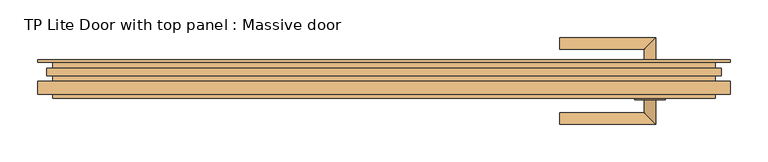
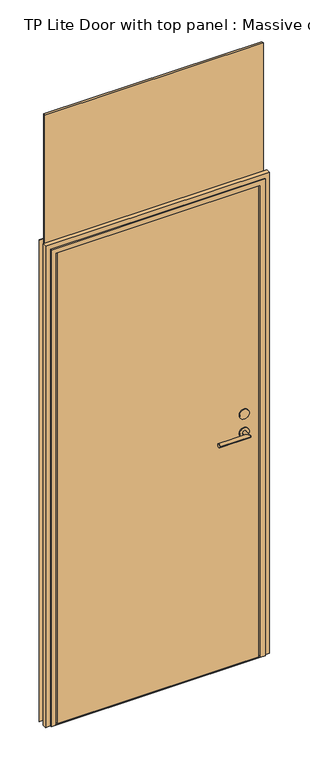
"""IFC4 building model written with IfcOpenShell, lengths in millimetres: door geometry, TP Lite Door with top panel : Massive door."""

import ifcopenshell
import ifcopenshell.guid

model = None  # the IFC model being written
_history = None  # IfcOwnerHistory: only IFC2X3 demands one
_inside = {}  # id of a spatial element -> (the spatial element, [elements in it])
_under = {}  # id of a project, library or spatial element -> (it, [spatial elements below it])
_declared = {}  # id of a project -> (the project, [libraries it declares])
_typed = {}  # id of a type object -> (the type object, [elements of that type])
_made_of = {}  # id of a material, layer set ... -> (it, [elements and type objects made of it])


def new_model(schema):
    """Start an empty IFC model of exactly this schema.

    Asked for "IFC4X3", IfcOpenShell would pick the latest addendum, in which some entities
    have other attributes; the version numbers below select the first issue.
    IFC2X3 requires an IfcOwnerHistory on every rooted entity: one is made here for all.
    """
    global model, _history
    if schema == "IFC4X3":
        model = ifcopenshell.file(schema_version=(4, 3, 0, 0))
    else:
        model = ifcopenshell.file(schema=schema)
    _inside.clear()
    _under.clear()
    _declared.clear()
    _typed.clear()
    _made_of.clear()
    _history = None
    if model.schema == "IFC2X3":
        org = make("IfcOrganization", Name="unknown")
        user = make(
            "IfcPersonAndOrganization",
            ThePerson=make("IfcPerson", FamilyName="unknown"),
            TheOrganization=org,
        )
        app = make(
            "IfcApplication",
            ApplicationDeveloper=org,
            Version="unknown",
            ApplicationFullName="unknown",
            ApplicationIdentifier="unknown",
        )
        _history = make(
            "IfcOwnerHistory",
            OwningUser=user,
            OwningApplication=app,
            ChangeAction="ADDED",
            CreationDate=0,
        )
    return model


def make(cls, **values):
    """One entity of the class cls with the attributes given. An attribute that is None is left unset."""
    return model.create_entity(
        cls, **{name: value for name, value in values.items() if value is not None}
    )


def rooted(cls, **values):
    """An entity with a GlobalId (a new one), such as an element, a storey or a relation."""
    return make(cls, GlobalId=ifcopenshell.guid.new(), OwnerHistory=_history, **values)


def si_unit(unit_type, name, prefix=None):
    """IfcSIUnit, for example si_unit("LENGTHUNIT", "METRE", prefix="MILLI")."""
    return make("IfcSIUnit", UnitType=unit_type, Prefix=prefix, Name=name)


def assignment(units):
    """IfcUnitAssignment: the units of a project."""
    return None if units is None else make("IfcUnitAssignment", Units=units)


def point(xyz):
    """IfcCartesianPoint."""
    return None if xyz is None else make("IfcCartesianPoint", Coordinates=xyz)


def direction(xyz):
    """IfcDirection."""
    return None if xyz is None else make("IfcDirection", DirectionRatios=xyz)


def frame(location, z_axis=None, x_axis=None):
    """IfcAxis2Placement3D, a coordinate frame: its origin and axes. An axis left out is left unset."""
    return make(
        "IfcAxis2Placement3D",
        Location=point(location),
        Axis=direction(z_axis),
        RefDirection=direction(x_axis),
    )


def frame_2d(location, x_axis=None):
    """IfcAxis2Placement2D, a coordinate frame in the plane: its origin and x axis."""
    return make(
        "IfcAxis2Placement2D", Location=point(location), RefDirection=direction(x_axis)
    )


def origin():
    """The frame at (0, 0, 0) with its axes left unset."""
    return frame((0.0, 0.0, 0.0))


def origin_with_axes():
    """The frame at (0, 0, 0) with the z axis (0, 0, 1) and the x axis (1, 0, 0) written out."""
    return frame((0.0, 0.0, 0.0), z_axis=(0.0, 0.0, 1.0), x_axis=(1.0, 0.0, 0.0))


def place(relative_to, where):
    """IfcLocalPlacement: puts the frame where relative to a parent placement (None: the world)."""
    return make(
        "IfcLocalPlacement", PlacementRelTo=relative_to, RelativePlacement=where
    )


def context(
    kind, dimensions, precision=None, world=None, true_north=None, identifier=None
):
    """IfcGeometricRepresentationContext, for example the 3D "Model" context."""
    return make(
        "IfcGeometricRepresentationContext",
        ContextIdentifier=identifier,
        ContextType=kind,
        CoordinateSpaceDimension=dimensions,
        Precision=precision,
        WorldCoordinateSystem=world,
        TrueNorth=true_north,
    )


def project(units=None, contexts=None):
    """IfcProject with its units and contexts."""
    return rooted(
        "IfcProject",
        Name="project",
        RepresentationContexts=contexts,
        UnitsInContext=assignment(units),
    )


def spatial(cls, under=None, at=None, **own):
    """A site, building, storey or space (cls), placed at a placement, below another one or the project."""
    s = rooted(cls, ObjectPlacement=at, **own)
    if under is not None:
        _under.setdefault(under.id(), (under, []))[1].append(s)
    return s


def polyline(points):
    """IfcPolyline through the points."""
    return make("IfcPolyline", Points=[point(p) for p in points])


def circle_curve(where, radius):
    """IfcCircle in the frame where."""
    return make("IfcCircle", Position=where, Radius=radius)


def ellipse_curve(where, semi_axis1, semi_axis2):
    """IfcEllipse in the frame where."""
    return make(
        "IfcEllipse", Position=where, SemiAxis1=semi_axis1, SemiAxis2=semi_axis2
    )


def trimmed(basis, trim1, trim2, sense, master):
    """IfcTrimmedCurve: the piece of a basis curve between two trims."""
    return make(
        "IfcTrimmedCurve",
        BasisCurve=basis,
        Trim1=trim1,
        Trim2=trim2,
        SenseAgreement=sense,
        MasterRepresentation=master,
    )


def segment(curve, same_sense, transition):
    """IfcCompositeCurveSegment."""
    return make(
        "IfcCompositeCurveSegment",
        Transition=transition,
        SameSense=same_sense,
        ParentCurve=curve,
    )


def composite_curve(segments, self_intersect=None):
    """IfcCompositeCurve: segments joined end to end."""
    return make("IfcCompositeCurve", Segments=segments, SelfIntersect=self_intersect)


def outline(outer, holes=None, kind="AREA"):
    """IfcArbitraryClosedProfileDef: a profile drawn as a closed curve; with holes, ...WithVoids."""
    if holes is None:
        return make("IfcArbitraryClosedProfileDef", ProfileType=kind, OuterCurve=outer)
    return make(
        "IfcArbitraryProfileDefWithVoids",
        ProfileType=kind,
        OuterCurve=outer,
        InnerCurves=holes,
    )


def extrude(swept, where, along, depth):
    """IfcExtrudedAreaSolid: the profile swept, set in the frame where, extruded along a direction by depth."""
    return make(
        "IfcExtrudedAreaSolid",
        SweptArea=swept,
        Position=where,
        ExtrudedDirection=direction(along),
        Depth=depth,
    )


def faces_of(points, faces, orient=None, outer=None):
    """IfcFace entities. A face is a list of loops; a loop is a list of indices into points, from 0.

    orient and outer hold one flag for each loop. By default every Orientation is true, the
    first loop of a face is its IfcFaceOuterBound and the others are IfcFaceBound.
    """
    made = []
    for i, loops in enumerate(faces):
        bounds = []
        for j, loop in enumerate(loops):
            is_outer = j == 0 if outer is None else outer[i][j]
            bounds.append(
                make(
                    "IfcFaceOuterBound" if is_outer else "IfcFaceBound",
                    Bound=make("IfcPolyLoop", Polygon=[points[k] for k in loop]),
                    Orientation=True if orient is None else orient[i][j],
                )
            )
        made.append(make("IfcFace", Bounds=bounds))
    return made


def faceted_brep(points, faces, orient=None, outer=None, voids=None):
    """IfcFacetedBrep: a solid bounded by flat faces; with voids (closed shells), ...WithVoids."""
    shared = [point(p) for p in points]
    hull = make("IfcClosedShell", CfsFaces=faces_of(shared, faces, orient, outer))
    if voids is None:
        return make("IfcFacetedBrep", Outer=hull)
    return make(
        "IfcFacetedBrepWithVoids",
        Outer=hull,
        Voids=[
            make(cls, CfsFaces=faces_of(shared, fs, o, b)) for cls, fs, o, b in voids
        ],
    )


def shape(context_of_items, identifier, shape_type, items):
    """IfcShapeRepresentation: the items that make up one representation, for example the "Body"."""
    return make(
        "IfcShapeRepresentation",
        ContextOfItems=context_of_items,
        RepresentationIdentifier=identifier,
        RepresentationType=shape_type,
        Items=items,
    )


def source(mapping_origin, context_of_items, identifier, shape_type, items):
    """IfcRepresentationMap: a shape defined once, which mapped items show again and again."""
    return make(
        "IfcRepresentationMap",
        MappingOrigin=mapping_origin,
        MappedRepresentation=shape(context_of_items, identifier, shape_type, items),
    )


def transform(
    local_origin,
    x_axis=None,
    y_axis=None,
    z_axis=None,
    scale=None,
    scale2=None,
    scale3=None,
    uniform=True,
):
    """IfcCartesianTransformationOperator3D, or its non-uniform kind. x_axis, y_axis, z_axis: its Axis1, 2, 3."""
    if uniform:
        return make(
            "IfcCartesianTransformationOperator3D",
            Axis1=direction(x_axis),
            Axis2=direction(y_axis),
            LocalOrigin=point(local_origin),
            Scale=scale,
            Axis3=direction(z_axis),
        )
    return make(
        "IfcCartesianTransformationOperator3DnonUniform",
        Axis1=direction(x_axis),
        Axis2=direction(y_axis),
        LocalOrigin=point(local_origin),
        Scale=scale,
        Axis3=direction(z_axis),
        Scale2=scale2,
        Scale3=scale3,
    )


def mapped(mapping_source, mapping_target):
    """IfcMappedItem: shows the shape of a source again, moved by a transform."""
    return make(
        "IfcMappedItem", MappingSource=mapping_source, MappingTarget=mapping_target
    )


def made_of(thing, what):
    """Note that an element or type object is made of a material, layer set ...; save() writes the relation."""
    if what is not None:
        _made_of.setdefault(what.id(), (what, []))[1].append(thing)
    return thing


def element(
    cls,
    number,
    at=None,
    inside=None,
    cuts=None,
    type_object=None,
    material=None,
    context=None,
    identifier="Body",
    shape_type=None,
    held_by="IfcProductDefinitionShape",
    body=None,
    shapes=None,
    **own,
):
    """One element of the class cls, such as IfcWall. Its Tag is "e" and its number.

    at: its placement. inside: the storey or other place that contains it. cuts: it is an
    opening in that element (IfcRelVoidsElement). A single representation is given by context,
    identifier, shape_type and body (its items); several are given by shapes. held_by: the class
    of the entity that holds the representations. save() writes the other relations.
    """
    e = rooted(cls, Tag="e%d" % number, ObjectPlacement=at, **own)
    if body is not None:
        shapes = [shape(context, identifier, shape_type, body)]
    if shapes is not None:
        e.Representation = make(held_by, Representations=shapes)
    if inside is not None:
        _inside.setdefault(inside.id(), (inside, []))[1].append(e)
    if cuts is not None:
        rooted(
            "IfcRelVoidsElement", RelatingBuildingElement=cuts, RelatedOpeningElement=e
        )
    if type_object is not None:
        _typed.setdefault(type_object.id(), (type_object, []))[1].append(e)
    return made_of(e, material)


def aggregate(whole, parts):
    """IfcRelAggregates: a whole, such as a stair, and the parts it consists of."""
    return rooted("IfcRelAggregates", RelatingObject=whole, RelatedObjects=parts)


def save(model, path):
    """Write the relations noted so far, then the file.

    IfcRelAggregates (storeys below a building ...), IfcRelContainedInSpatialStructure (elements
    in a storey), IfcRelDefinesByType, IfcRelAssociatesMaterial and IfcRelDeclares: one each for
    every whole, place, type object, material and project.
    """
    for whole, parts in _under.values():
        aggregate(whole, parts)
    for where, things in _inside.values():
        rooted(
            "IfcRelContainedInSpatialStructure",
            RelatedElements=things,
            RelatingStructure=where,
        )
    for kind, things in _typed.values():
        rooted("IfcRelDefinesByType", RelatedObjects=things, RelatingType=kind)
    for what, things in _made_of.values():
        rooted("IfcRelAssociatesMaterial", RelatedObjects=things, RelatingMaterial=what)
    for by, libraries in _declared.values():
        rooted("IfcRelDeclares", RelatingContext=by, RelatedDefinitions=libraries)
    model.write(path)


def plane_surface(at):
    """IfcPlane: the flat surface through the origin of the frame at, square to its z axis."""
    return make("IfcPlane", Position=at)


def cylinder_surface(at, radius):
    """IfcCylindricalSurface: all points at the distance radius from the z axis of the frame at."""
    return make("IfcCylindricalSurface", Position=at, Radius=radius)


def advanced_brep(points, edges, surfaces, faces):
    """IfcAdvancedBrep: a solid bounded by faces that lie on surfaces and meet in shared edges.

    An edge is (start, end): straight between two places in points (the first is 0);
    or (start, end, curve); or (start, end, curve, False) where it runs against its curve.
    A face is (place in surfaces, loops), or (place, loops, False) where it looks against
    its surface's normal. A loop lists edges by number (the first is 1), with a minus sign
    where the edge is run from its end to its start. The first loop is the outer one.
    """
    corners = [point(p) for p in points]
    vertices = [make("IfcVertexPoint", VertexGeometry=c) for c in corners]
    made = []
    for start, end, *more in edges:
        made.append(
            make(
                "IfcEdgeCurve",
                EdgeStart=vertices[start],
                EdgeEnd=vertices[end],
                EdgeGeometry=more[0] if more else make("IfcPolyline", Points=[corners[start], corners[end]]),
                SameSense=more[1] if len(more) > 1 else True,
            )
        )
    hull = []
    for where, loops, *sense in faces:
        bounds = []
        for j, loop in enumerate(loops):
            ring = [make("IfcOrientedEdge", EdgeElement=made[abs(k) - 1], Orientation=k > 0) for k in loop]
            bounds.append(
                make(
                    "IfcFaceOuterBound" if j == 0 else "IfcFaceBound",
                    Bound=make("IfcEdgeLoop", EdgeList=ring),
                    Orientation=True,
                )
            )
        hull.append(make("IfcAdvancedFace", Bounds=bounds, FaceSurface=surfaces[where], SameSense=sense[0] if sense else True))
    return make("IfcAdvancedBrep", Outer=make("IfcClosedShell", CfsFaces=hull))


def tp_lite_door_with_top_panel_massive_door_3b3503ef(model_context):
    return source(origin(), model_context, "Body", "SolidModel", [
        extrude(outline(composite_curve([segment(trimmed(circle_curve(frame_2d((1080.0, 354.0)), 20.0), [point((1080.0, 374.0))], [point((1080.0, 334.0))], False, "CARTESIAN"), True, "CONTINUOUS"), segment(trimmed(circle_curve(frame_2d((1080.0, 354.0)), 20.0), [point((1080.0, 334.0))], [point((1080.0, 374.0))], False, "CARTESIAN"), True, "CONTINUOUS")], self_intersect=False)), frame((0.0, 8.0, 0.0), z_axis=(0.0, 1.0, 0.0), x_axis=(0.0, 0.0, 1.0)), (0.0, 0.0, 1.0), 5.0),
        extrude(outline(composite_curve([segment(trimmed(circle_curve(frame_2d((1080.0, 354.0)), 20.0), [point((1080.0, 374.0))], [point((1080.0, 334.0))], False, "CARTESIAN"), True, "CONTINUOUS"), segment(trimmed(circle_curve(frame_2d((1080.0, 354.0)), 20.0), [point((1080.0, 334.0))], [point((1080.0, 374.0))], False, "CARTESIAN"), True, "CONTINUOUS")], self_intersect=False)), frame((0.0, -37.0, 0.0), z_axis=(0.0, 1.0, 0.0), x_axis=(0.0, 0.0, 1.0)), (0.0, 0.0, 1.0), 5.0),
        extrude(outline(composite_curve([segment(trimmed(circle_curve(frame_2d((1000.0, 354.0)), 20.0), [point((1000.0, 374.0))], [point((1000.0, 334.0))], False, "CARTESIAN"), True, "CONTINUOUS"), segment(trimmed(circle_curve(frame_2d((1000.0, 354.0)), 20.0), [point((1000.0, 334.0))], [point((1000.0, 374.0))], False, "CARTESIAN"), True, "CONTINUOUS")], self_intersect=False), holes=[composite_curve([segment(trimmed(circle_curve(frame_2d((1000.0, 354.0)), 7.5), [point((1000.0, 361.5))], [point((1000.0, 346.5))], True, "CARTESIAN"), True, "CONTINUOUS"), segment(trimmed(circle_curve(frame_2d((1000.0, 354.0)), 7.5), [point((1000.0, 346.5))], [point((1000.0, 361.5))], True, "CARTESIAN"), True, "CONTINUOUS")], self_intersect=False)]), frame((0.0, -37.0, 0.0), z_axis=(0.0, 1.0, 0.0), x_axis=(0.0, 0.0, 1.0)), (0.0, 0.0, 1.0), 5.0),
        extrude(outline(composite_curve([segment(trimmed(circle_curve(frame_2d((1000.0, 354.0)), 20.0), [point((1000.0, 374.0))], [point((1000.0, 334.0))], False, "CARTESIAN"), True, "CONTINUOUS"), segment(trimmed(circle_curve(frame_2d((1000.0, 354.0)), 20.0), [point((1000.0, 334.0))], [point((1000.0, 374.0))], False, "CARTESIAN"), True, "CONTINUOUS")], self_intersect=False), holes=[composite_curve([segment(trimmed(circle_curve(frame_2d((1000.0, 354.0)), 7.5), [point((1000.0, 361.5))], [point((1000.0, 346.5))], True, "CARTESIAN"), True, "CONTINUOUS"), segment(trimmed(circle_curve(frame_2d((1000.0, 354.0)), 7.5), [point((1000.0, 346.5))], [point((1000.0, 361.5))], True, "CARTESIAN"), True, "CONTINUOUS")], self_intersect=False)]), frame((0.0, 8.0, 0.0), z_axis=(0.0, 1.0, 0.0), x_axis=(0.0, 0.0, 1.0)), (0.0, 0.0, 1.0), 5.0),
        advanced_brep(
        [(361.5, 8.0, 1000.0), (346.5, 8.0, 1000.0), (361.5, 45.5, 1000.0), (346.5, 30.5, 1000.0), (234.0, 45.5, 1000.0), (234.0, 30.5, 1000.0)],
        [
            (0, 1, circle_curve(frame((354.0, 8.0, 1000.0), z_axis=(0.0, -1.0, 0.0), x_axis=(-1.0, 0.0, 0.0)), 7.5)),
            (1, 0, circle_curve(frame((354.0, 8.0, 1000.0), z_axis=(0.0, -1.0, 0.0), x_axis=(-1.0, 0.0, 0.0)), 7.5)),
            (0, 2),
            (2, 3, ellipse_curve(frame((354.0, 38.0, 1000.0), z_axis=(0.7071067811865475, -0.7071067811865475, 0.0), x_axis=(-0.7071067811865474, -0.7071067811865476, 0.0)), 10.6066017, 7.5)),
            (3, 1),
            (3, 2, ellipse_curve(frame((354.0, 38.0, 1000.0), z_axis=(0.7071067811865475, -0.7071067811865475, 0.0), x_axis=(-0.7071067811865474, -0.7071067811865476, 0.0)), 10.6066017, 7.5)),
            (4, 5, circle_curve(frame((234.0, 38.0, 1000.0), z_axis=(-1.0, 0.0, 0.0), x_axis=(0.0, -1.0, 0.0)), 7.5)),
            (5, 4, circle_curve(frame((234.0, 38.0, 1000.0), z_axis=(-1.0, 0.0, 0.0), x_axis=(0.0, -1.0, 0.0)), 7.5)),
            (2, 4),
            (5, 3),
        ],
        [
            plane_surface(frame((354.0, 8.0, 1000.0), z_axis=(0.0, -1.0, 0.0), x_axis=(0.0, 0.0, 1.0))),
            cylinder_surface(frame((354.0, 8.0, 1000.0), z_axis=(0.0, -1.0, 0.0), x_axis=(-1.0, 0.0, 0.0)), 7.5),
            plane_surface(frame((234.0, 38.0, 1000.0), z_axis=(-1.0, 0.0, 0.0), x_axis=(0.0, 0.0, 1.0))),
            cylinder_surface(frame((354.0, 38.0, 1000.0), z_axis=(1.0, 0.0, 0.0), x_axis=(0.0, -1.0, 0.0)), 7.5),
        ],
        [
            (0, [[1, 2]]),
            (1, [[-1, 3, 4, 5]]),
            (1, [[-2, -5, 6, -3]]),
            (2, [[7, 8]]),
            (3, [[-4, 9, -8, 10]]),
            (3, [[-6, -10, -7, -9]]),
        ],
    ),
        advanced_brep(
        [(346.5, -32.0, 1000.0), (361.5, -32.0, 1000.0), (346.5, -54.5, 1000.0), (361.5, -69.5, 1000.0), (234.0, -54.5, 1000.0), (234.0, -69.5, 1000.0)],
        [
            (0, 1, circle_curve(frame((354.0, -32.0, 1000.0), z_axis=(0.0, 1.0, 0.0), x_axis=(1.0, 0.0, 0.0)), 7.5)),
            (1, 0, circle_curve(frame((354.0, -32.0, 1000.0), z_axis=(0.0, 1.0, 0.0), x_axis=(1.0, 0.0, 0.0)), 7.5)),
            (0, 2),
            (2, 3, ellipse_curve(frame((354.0, -62.0, 1000.0), z_axis=(0.7071067811865475, 0.7071067811865475, 0.0), x_axis=(-0.7071067811865474, 0.7071067811865476, 0.0)), 10.6066017, 7.5)),
            (3, 1),
            (3, 2, ellipse_curve(frame((354.0, -62.0, 1000.0), z_axis=(0.7071067811865475, 0.7071067811865475, 0.0), x_axis=(-0.7071067811865474, 0.7071067811865476, 0.0)), 10.6066017, 7.5)),
            (4, 5, circle_curve(frame((234.0, -62.0, 1000.0), z_axis=(-1.0, 0.0, 0.0), x_axis=(0.0, -1.0, 0.0)), 7.5)),
            (5, 4, circle_curve(frame((234.0, -62.0, 1000.0), z_axis=(-1.0, 0.0, 0.0), x_axis=(0.0, -1.0, 0.0)), 7.5)),
            (2, 4),
            (5, 3),
        ],
        [
            plane_surface(frame((354.0, -32.0, 1000.0), z_axis=(0.0, 1.0, 0.0), x_axis=(0.0, 0.0, 1.0))),
            cylinder_surface(frame((354.0, -32.0, 1000.0), z_axis=(0.0, 1.0, 0.0), x_axis=(1.0, 0.0, 0.0)), 7.5),
            plane_surface(frame((234.0, -62.0, 1000.0), z_axis=(-1.0, 0.0, 0.0), x_axis=(0.0, 0.0, 1.0))),
            cylinder_surface(frame((354.0, -62.0, 1000.0), z_axis=(1.0, 0.0, 0.0), x_axis=(0.0, -1.0, 0.0)), 7.5),
        ],
        [
            (0, [[1, 2]]),
            (1, [[-1, 3, 4, 5]]),
            (1, [[-2, -5, 6, -3]]),
            (2, [[7, 8]]),
            (3, [[-4, 9, -8, 10]]),
            (3, [[-6, -10, -7, -9]]),
        ],
    ),
        faceted_brep([(-409.0, 16.0, 0.0), (-409.0, 9.0, 0.0), (-421.0, 9.0, 0.0), (-421.0, -35.0, 0.0), (-441.0, -35.0, 0.0), (-441.0, -30.0, 0.0), (-461.0, -30.0, 0.0), (-461.0, -12.5, 0.0), (-441.0, -12.5, 0.0), (-441.0, 13.0, 0.0), (-461.0, 13.0, 0.0), (-461.0, 16.0, 0.0), (-409.0, 9.0, 2038.0), (-409.0, 16.0, 2038.0), (-441.0, 13.0, 2070.0), (-441.0, -12.5, 2070.0), (-441.0, -30.0, 2070.0), (-441.0, -35.0, 2070.0), (-421.0, -35.0, 2050.0), (-421.0, 9.0, 2050.0), (409.0, 16.0, 0.0), (461.0, 16.0, 0.0), (461.0, 13.0, 0.0), (441.0, 13.0, 0.0), (441.0, -12.5, 0.0), (461.0, -12.5, 0.0), (461.0, -30.0, 0.0), (441.0, -30.0, 0.0), (441.0, -35.0, 0.0), (421.0, -35.0, 0.0), (421.0, 9.0, 0.0), (409.0, 9.0, 0.0), (409.0, 9.0, 2038.0), (409.0, 16.0, 2038.0), (421.0, 9.0, 2050.0), (421.0, -35.0, 2050.0), (441.0, -35.0, 2070.0), (441.0, -30.0, 2070.0), (461.0, -30.0, 2090.0), (-461.0, -30.0, 2090.0), (461.0, -12.5, 2090.0), (441.0, -12.5, 2070.0), (-461.0, -12.5, 2090.0), (441.0, 13.0, 2070.0), (461.0, 13.0, 2090.0), (-461.0, 13.0, 2090.0), (461.0, 16.0, 2090.0), (-461.0, 16.0, 2090.0)], [[[0, 1, 2, 3, 4, 5, 6, 7, 8, 9, 10, 11]], [[12, 1, 0, 13]], [[14, 9, 8, 15]], [[16, 5, 4, 17]], [[18, 3, 2, 19]], [[20, 21, 22, 23, 24, 25, 26, 27, 28, 29, 30, 31]], [[31, 32, 33, 20]], [[30, 34, 19, 2, 1, 12, 32, 31]], [[29, 35, 34, 30]], [[28, 36, 17, 4, 3, 18, 35, 29]], [[27, 37, 36, 28]], [[26, 38, 39, 6, 5, 16, 37, 27]], [[25, 40, 38, 26]], [[24, 41, 15, 8, 7, 42, 40, 25]], [[23, 43, 41, 24]], [[22, 44, 45, 10, 9, 14, 43, 23]], [[21, 46, 44, 22]], [[20, 33, 13, 0, 11, 47, 46, 21]], [[47, 11, 10, 45]], [[42, 7, 6, 39]], [[32, 12, 13, 33]], [[35, 18, 19, 34]], [[37, 16, 17, 36]], [[40, 42, 39, 38]], [[43, 14, 15, 41]], [[46, 47, 45, 44]]]),
        extrude(outline(polyline([(-414.0, 8.0), (414.0, 8.0), (414.0, -32.0), (-414.0, -32.0), (-414.0, 8.0)])), origin_with_axes(), (0.0, 0.0, 1.0), 2050.0),
        extrude(outline(polyline([(-449.0, 5.0), (449.0, 5.0), (449.0, -5.0), (-449.0, -5.0), (-449.0, 5.0)])), frame((0.0, 0.0, 2078.0), z_axis=(0.0, 0.0, 1.0), x_axis=(1.0, 0.0, 0.0)), (0.0, 0.0, 1.0), 562.0000015),
        extrude(outline(polyline([(421.0, -35.0), (-421.0, -35.0), (-421.0, 9.0), (-409.0, 9.0), (-409.0, 16.0), (409.0, 16.0), (409.0, 9.0), (421.0, 9.0), (421.0, -35.0)])), origin_with_axes(), (0.0, 0.0, 1.0), 2.0),
    ])


if __name__ == "__main__":
    model = new_model("IFC4")
    model_context = context("Model", 3, world=origin())
    ifc_project = project(units=[si_unit("LENGTHUNIT", "METRE", prefix="MILLI")], contexts=[model_context])
    site = spatial("IfcSite", under=ifc_project)
    building = spatial("IfcBuilding", under=site)
    placement = place(None, origin())
    tp_lite_door_with_top_panel_massive_door_shape = tp_lite_door_with_top_panel_massive_door_3b3503ef(model_context)
    element("IfcDoor", 1, ObjectType="TP Lite Door with top panel : Massive door", at=placement, inside=building, context=model_context, shape_type="MappedRepresentation", body=[
        mapped(tp_lite_door_with_top_panel_massive_door_shape, transform((0.0, 0.0, 0.0), x_axis=(1.0, 0.0, 0.0), y_axis=(0.0, 1.0, 0.0), z_axis=(0.0, 0.0, 1.0))),
    ])
    save(model, "model.ifc")
